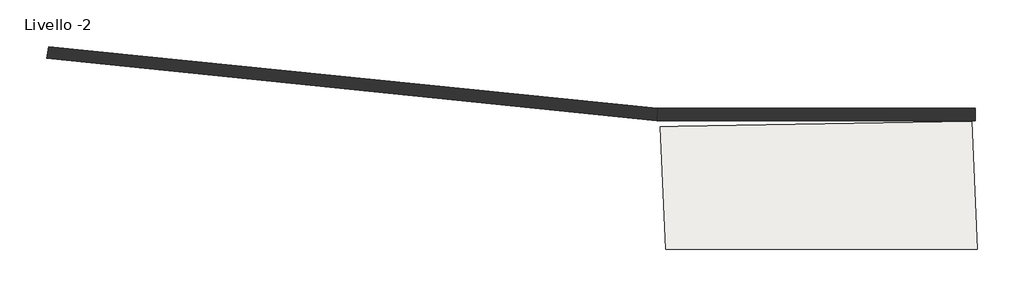
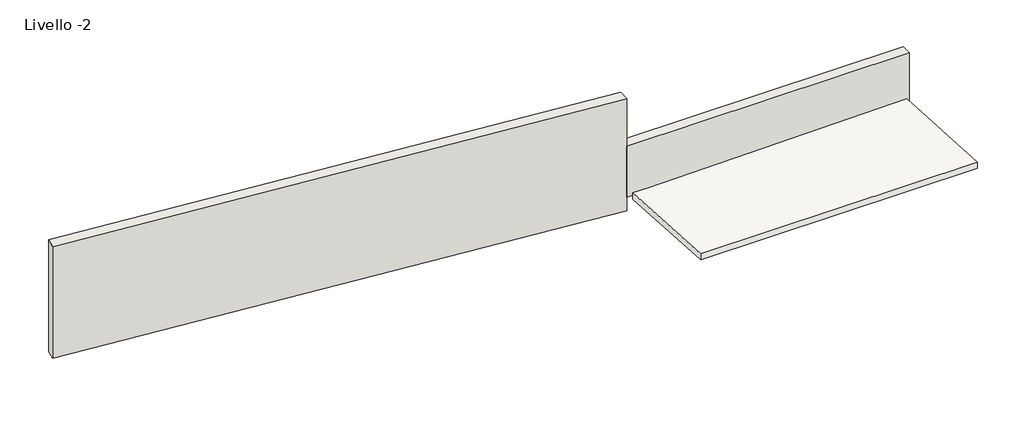
# One storey, part 1 of 3: 2 walls, 1 slab.
"""IFC4 building model written with IfcOpenShell, lengths in millimetres."""

import ifcopenshell
import ifcopenshell.guid

model = None  # the IFC model being written
_history = None  # IfcOwnerHistory: only IFC2X3 demands one
_inside = {}  # id of a spatial element -> (the spatial element, [elements in it])
_under = {}  # id of a project, library or spatial element -> (it, [spatial elements below it])
_declared = {}  # id of a project -> (the project, [libraries it declares])
_typed = {}  # id of a type object -> (the type object, [elements of that type])
_made_of = {}  # id of a material, layer set ... -> (it, [elements and type objects made of it])


def new_model(schema):
    """Start an empty IFC model of exactly this schema.

    Asked for "IFC4X3", IfcOpenShell would pick the latest addendum, in which some entities
    have other attributes; the version numbers below select the first issue.
    IFC2X3 requires an IfcOwnerHistory on every rooted entity: one is made here for all.
    """
    global model, _history
    if schema == "IFC4X3":
        model = ifcopenshell.file(schema_version=(4, 3, 0, 0))
    else:
        model = ifcopenshell.file(schema=schema)
    _inside.clear()
    _under.clear()
    _declared.clear()
    _typed.clear()
    _made_of.clear()
    _history = None
    if model.schema == "IFC2X3":
        org = make("IfcOrganization", Name="unknown")
        user = make(
            "IfcPersonAndOrganization",
            ThePerson=make("IfcPerson", FamilyName="unknown"),
            TheOrganization=org,
        )
        app = make(
            "IfcApplication",
            ApplicationDeveloper=org,
            Version="unknown",
            ApplicationFullName="unknown",
            ApplicationIdentifier="unknown",
        )
        _history = make(
            "IfcOwnerHistory",
            OwningUser=user,
            OwningApplication=app,
            ChangeAction="ADDED",
            CreationDate=0,
        )
    return model


def make(cls, **values):
    """One entity of the class cls with the attributes given. An attribute that is None is left unset."""
    return model.create_entity(
        cls, **{name: value for name, value in values.items() if value is not None}
    )


def rooted(cls, **values):
    """An entity with a GlobalId (a new one), such as an element, a storey or a relation."""
    return make(cls, GlobalId=ifcopenshell.guid.new(), OwnerHistory=_history, **values)


def si_unit(unit_type, name, prefix=None):
    """IfcSIUnit, for example si_unit("LENGTHUNIT", "METRE", prefix="MILLI")."""
    return make("IfcSIUnit", UnitType=unit_type, Prefix=prefix, Name=name)


def assignment(units):
    """IfcUnitAssignment: the units of a project."""
    return None if units is None else make("IfcUnitAssignment", Units=units)


def point(xyz):
    """IfcCartesianPoint."""
    return None if xyz is None else make("IfcCartesianPoint", Coordinates=xyz)


def direction(xyz):
    """IfcDirection."""
    return None if xyz is None else make("IfcDirection", DirectionRatios=xyz)


def frame(location, z_axis=None, x_axis=None):
    """IfcAxis2Placement3D, a coordinate frame: its origin and axes. An axis left out is left unset."""
    return make(
        "IfcAxis2Placement3D",
        Location=point(location),
        Axis=direction(z_axis),
        RefDirection=direction(x_axis),
    )


def frame_2d(location, x_axis=None):
    """IfcAxis2Placement2D, a coordinate frame in the plane: its origin and x axis."""
    return make(
        "IfcAxis2Placement2D", Location=point(location), RefDirection=direction(x_axis)
    )


def origin():
    """The frame at (0, 0, 0) with its axes left unset."""
    return frame((0.0, 0.0, 0.0))


def place(relative_to, where):
    """IfcLocalPlacement: puts the frame where relative to a parent placement (None: the world)."""
    return make(
        "IfcLocalPlacement", PlacementRelTo=relative_to, RelativePlacement=where
    )


def context(
    kind, dimensions, precision=None, world=None, true_north=None, identifier=None
):
    """IfcGeometricRepresentationContext, for example the 3D "Model" context."""
    return make(
        "IfcGeometricRepresentationContext",
        ContextIdentifier=identifier,
        ContextType=kind,
        CoordinateSpaceDimension=dimensions,
        Precision=precision,
        WorldCoordinateSystem=world,
        TrueNorth=true_north,
    )


def project(units=None, contexts=None):
    """IfcProject with its units and contexts."""
    return rooted(
        "IfcProject",
        Name="project",
        RepresentationContexts=contexts,
        UnitsInContext=assignment(units),
    )


def spatial(cls, under=None, at=None, **own):
    """A site, building, storey or space (cls), placed at a placement, below another one or the project."""
    s = rooted(cls, ObjectPlacement=at, **own)
    if under is not None:
        _under.setdefault(under.id(), (under, []))[1].append(s)
    return s


def polyline(points):
    """IfcPolyline through the points."""
    return make("IfcPolyline", Points=[point(p) for p in points])


def circle_curve(where, radius):
    """IfcCircle in the frame where."""
    return make("IfcCircle", Position=where, Radius=radius)


def trimmed(basis, trim1, trim2, sense, master):
    """IfcTrimmedCurve: the piece of a basis curve between two trims."""
    return make(
        "IfcTrimmedCurve",
        BasisCurve=basis,
        Trim1=trim1,
        Trim2=trim2,
        SenseAgreement=sense,
        MasterRepresentation=master,
    )


def segment(curve, same_sense, transition):
    """IfcCompositeCurveSegment."""
    return make(
        "IfcCompositeCurveSegment",
        Transition=transition,
        SameSense=same_sense,
        ParentCurve=curve,
    )


def composite_curve(segments, self_intersect=None):
    """IfcCompositeCurve: segments joined end to end."""
    return make("IfcCompositeCurve", Segments=segments, SelfIntersect=self_intersect)


def outline(outer, holes=None, kind="AREA"):
    """IfcArbitraryClosedProfileDef: a profile drawn as a closed curve; with holes, ...WithVoids."""
    if holes is None:
        return make("IfcArbitraryClosedProfileDef", ProfileType=kind, OuterCurve=outer)
    return make(
        "IfcArbitraryProfileDefWithVoids",
        ProfileType=kind,
        OuterCurve=outer,
        InnerCurves=holes,
    )


def extrude(swept, where, along, depth):
    """IfcExtrudedAreaSolid: the profile swept, set in the frame where, extruded along a direction by depth."""
    return make(
        "IfcExtrudedAreaSolid",
        SweptArea=swept,
        Position=where,
        ExtrudedDirection=direction(along),
        Depth=depth,
    )


def shape(context_of_items, identifier, shape_type, items):
    """IfcShapeRepresentation: the items that make up one representation, for example the "Body"."""
    return make(
        "IfcShapeRepresentation",
        ContextOfItems=context_of_items,
        RepresentationIdentifier=identifier,
        RepresentationType=shape_type,
        Items=items,
    )


def made_of(thing, what):
    """Note that an element or type object is made of a material, layer set ...; save() writes the relation."""
    if what is not None:
        _made_of.setdefault(what.id(), (what, []))[1].append(thing)
    return thing


def element(
    cls,
    number,
    at=None,
    inside=None,
    cuts=None,
    type_object=None,
    material=None,
    context=None,
    identifier="Body",
    shape_type=None,
    held_by="IfcProductDefinitionShape",
    body=None,
    shapes=None,
    **own,
):
    """One element of the class cls, such as IfcWall. Its Tag is "e" and its number.

    at: its placement. inside: the storey or other place that contains it. cuts: it is an
    opening in that element (IfcRelVoidsElement). A single representation is given by context,
    identifier, shape_type and body (its items); several are given by shapes. held_by: the class
    of the entity that holds the representations. save() writes the other relations.
    """
    e = rooted(cls, Tag="e%d" % number, ObjectPlacement=at, **own)
    if body is not None:
        shapes = [shape(context, identifier, shape_type, body)]
    if shapes is not None:
        e.Representation = make(held_by, Representations=shapes)
    if inside is not None:
        _inside.setdefault(inside.id(), (inside, []))[1].append(e)
    if cuts is not None:
        rooted(
            "IfcRelVoidsElement", RelatingBuildingElement=cuts, RelatedOpeningElement=e
        )
    if type_object is not None:
        _typed.setdefault(type_object.id(), (type_object, []))[1].append(e)
    return made_of(e, material)


def aggregate(whole, parts):
    """IfcRelAggregates: a whole, such as a stair, and the parts it consists of."""
    return rooted("IfcRelAggregates", RelatingObject=whole, RelatedObjects=parts)


def save(model, path):
    """Write the relations noted so far, then the file.

    IfcRelAggregates (storeys below a building ...), IfcRelContainedInSpatialStructure (elements
    in a storey), IfcRelDefinesByType, IfcRelAssociatesMaterial and IfcRelDeclares: one each for
    every whole, place, type object, material and project.
    """
    for whole, parts in _under.values():
        aggregate(whole, parts)
    for where, things in _inside.values():
        rooted(
            "IfcRelContainedInSpatialStructure",
            RelatedElements=things,
            RelatingStructure=where,
        )
    for kind, things in _typed.values():
        rooted("IfcRelDefinesByType", RelatedObjects=things, RelatingType=kind)
    for what, things in _made_of.values():
        rooted("IfcRelAssociatesMaterial", RelatedObjects=things, RelatingMaterial=what)
    for by, libraries in _declared.values():
        rooted("IfcRelDeclares", RelatingContext=by, RelatedDefinitions=libraries)
    model.write(path)


def plane_surface(at):
    """IfcPlane: the flat surface through the origin of the frame at, square to its z axis."""
    return make("IfcPlane", Position=at)


def cylinder_surface(at, radius):
    """IfcCylindricalSurface: all points at the distance radius from the z axis of the frame at."""
    return make("IfcCylindricalSurface", Position=at, Radius=radius)


def revolved_surface(curve, axis_point, axis_direction):
    """IfcSurfaceOfRevolution: the curve turned about the line through axis_point along axis_direction."""
    return make(
        "IfcSurfaceOfRevolution",
        SweptCurve=make("IfcArbitraryOpenProfileDef", ProfileType="CURVE", Curve=curve),
        AxisPosition=make("IfcAxis1Placement", Location=point(axis_point), Axis=direction(axis_direction)),
    )


def advanced_brep(points, edges, surfaces, faces):
    """IfcAdvancedBrep: a solid bounded by faces that lie on surfaces and meet in shared edges.

    An edge is (start, end): straight between two places in points (the first is 0);
    or (start, end, curve); or (start, end, curve, False) where it runs against its curve.
    A face is (place in surfaces, loops), or (place, loops, False) where it looks against
    its surface's normal. A loop lists edges by number (the first is 1), with a minus sign
    where the edge is run from its end to its start. The first loop is the outer one.
    """
    corners = [point(p) for p in points]
    vertices = [make("IfcVertexPoint", VertexGeometry=c) for c in corners]
    made = []
    for start, end, *more in edges:
        made.append(
            make(
                "IfcEdgeCurve",
                EdgeStart=vertices[start],
                EdgeEnd=vertices[end],
                EdgeGeometry=more[0] if more else make("IfcPolyline", Points=[corners[start], corners[end]]),
                SameSense=more[1] if len(more) > 1 else True,
            )
        )
    hull = []
    for where, loops, *sense in faces:
        bounds = []
        for j, loop in enumerate(loops):
            ring = [make("IfcOrientedEdge", EdgeElement=made[abs(k) - 1], Orientation=k > 0) for k in loop]
            bounds.append(
                make(
                    "IfcFaceOuterBound" if j == 0 else "IfcFaceBound",
                    Bound=make("IfcEdgeLoop", EdgeList=ring),
                    Orientation=True,
                )
            )
        hull.append(make("IfcAdvancedFace", Bounds=bounds, FaceSurface=surfaces[where], SameSense=sense[0] if sense else True))
    return make("IfcAdvancedBrep", Outer=make("IfcClosedShell", CfsFaces=hull))


model = new_model("IFC4")

# Units and contexts
model_context = context("Model", 3, world=origin())
ifc_project = project(units=[si_unit("LENGTHUNIT", "METRE", prefix="MILLI")], contexts=[model_context])

# Site, building, storey
site = spatial("IfcSite", under=ifc_project)
building = spatial("IfcBuilding", under=site)
storey = spatial("IfcBuildingStorey", under=building, Name="Livello -2", Elevation=-3950.0)

# Slab
placement = place(None, origin())
element("IfcSlab", 1, at=placement, inside=storey, context=model_context, shape_type="SweptSolid", body=[
    extrude(outline(composite_curve([segment(polyline([(5875.8440382, -1913.4406888), (-1862.3004681, -1913.4406888), (-1997.1692703, 1133.4026094)]), True, "CONTINUOUS"), segment(trimmed(circle_curve(frame_2d((-6766.2619372, 275636.2562773)), 274544.2786085), [point((-1997.1692703, 1133.4026094))], [point((-1555.3188654, 1141.4348526))], True, "CARTESIAN"), True, "CONTINUOUS"), segment(polyline([(-1555.3188654, 1141.4348526), (5731.1959017, 1259.3869941), (5875.8440382, -1913.4406888)]), True, "CONTINUOUS")], self_intersect=False)), frame((0.0, 0.0, -3950.0), z_axis=(0.0, 0.0, 1.0), x_axis=(1.0, 0.0, 0.0)), (0.0, 0.0, 1.0), 180.0),
])

# Walls
element("IfcWall", 2, at=placement, inside=storey, context=model_context, shape_type="AdvancedBrep", body=[
    advanced_brep(
    [(-17245.7217887, 2826.0170442, -1040.4448821), (-2084.5397534, 1283.4806511, -1040.4448821), (-2082.3595272, 1583.4806511, -1040.4448821), (-17189.5753334, 3120.7161714, -1040.4448821), (-17245.7217887, 2826.0170442, -4350.0), (-17189.5753334, 3120.7161714, -4350.0), (-2076.7954218, 1583.3998811, -4350.0), (-2090.1047812, 1283.5616494, -4350.0), (-2090.1047812, 1283.5616494, -3950.0), (-2084.5397534, 1283.4806511, -3950.0), (-2082.3595272, 1583.4806511, -3950.0), (-2076.7954218, 1583.3998811, -3950.0), (-2083.449549, 1433.4932125, -3950.0)],
    [
        (0, 1, circle_curve(frame((-809.2033278, 89097.3163103, -1040.4448821), z_axis=(0.0, 0.0, 1.0), x_axis=(1.0, 0.0, 0.0)), 87823.0961432)),
        (1, 2),
        (2, 3, circle_curve(frame((-809.2033278, 89097.3163103, -1040.4448821), z_axis=(0.0, 0.0, -1.0), x_axis=(1.0, 0.0, 0.0)), 87523.0961432)),
        (3, 0),
        (4, 5),
        (5, 6, circle_curve(frame((-809.2033278, 89097.3163103, -4350.0), z_axis=(0.0, 0.0, 1.0), x_axis=(1.0, 0.0, 0.0)), 87523.0961432)),
        (6, 7),
        (7, 4, circle_curve(frame((-809.2033278, 89097.3163103, -4350.0), z_axis=(0.0, 0.0, -1.0), x_axis=(1.0, 0.0, 0.0)), 87823.0961432)),
        (0, 4),
        (7, 8),
        (8, 9, circle_curve(frame((-809.2033278, 89097.3163103, -3950.0), z_axis=(0.0, 0.0, 1.0), x_axis=(1.0, 0.0, 0.0)), 87823.0961432)),
        (9, 1),
        (2, 10),
        (10, 11, circle_curve(frame((-809.2033278, 89097.3163103, -3950.0), z_axis=(0.0, 0.0, 1.0), x_axis=(1.0, 0.0, 0.0)), 87523.0961432)),
        (11, 6),
        (5, 3),
        (9, 12),
        (12, 10),
        (12, 11),
        (12, 8),
    ],
    [
        plane_surface(frame((87013.8928154, 89097.3163103, -1040.4448821), z_axis=(0.0, 0.0, 1.0), x_axis=(0.0, 1.0, 0.0))),
        plane_surface(frame((87013.8928154, 89097.3163103, -4350.0), z_axis=(0.0, 0.0, -1.0), x_axis=(0.0, -1.0, 0.0))),
        cylinder_surface(frame((-809.2033278, 89097.3163103, -4350.0), z_axis=(0.0, 0.0, 1.0), x_axis=(1.0, 0.0, 0.0)), 87823.0961432),
        revolved_surface(polyline([(86713.8928154, 89097.3163103, -4350.0), (86713.8928154, 89097.3163103, -1040.4448821)]), (-809.2033278, 89097.3163103, -4350.0), (0.0, 0.0, -1.0)),
        plane_surface(frame((-17189.5753334, 3120.7161714, -1040.4448821), z_axis=(-0.98233042394015, 0.18715485086303577, 0.0), x_axis=(0.0, 0.0, -1.0))),
        plane_surface(frame((-2084.5397534, 1283.4806511, -3950.0), z_axis=(0.9999735933442965, -0.0072672287768931945, 0.0), x_axis=(0.0072672287768931945, 0.9999735933442965, 0.0))),
        plane_surface(frame((-1985.4226068, 1282.0971032, -3950.0), z_axis=(0.0, 0.0, 1.0), x_axis=(1.0, 0.0, 0.0))),
        plane_surface(frame((-2081.1571608, 1485.1369933, -8200.0), z_axis=(0.99901628545863, -0.04434480114332784, 0.0), x_axis=(-0.04434480114332784, -0.99901628545863, 0.0))),
        plane_surface(frame((-1985.4226068, 1282.0971032, -3950.0), z_axis=(0.0, 0.0, -1.0), x_axis=(1.0, 0.0, 0.0))),
    ],
    [
        (0, [[1, 2, 3, 4]]),
        (1, [[5, 6, 7, 8]]),
        (2, [[-1, 9, -8, 10, 11, 12]]),
        (3, [[-3, 13, 14, 15, -6, 16]]),
        (4, [[-4, -16, -5, -9]]),
        (5, [[-2, -12, 17, 18, -13]]),
        (6, [[-18, 19, -14]]),
        (7, [[-10, -7, -15, -19, 20]]),
        (8, [[-17, -11, -20]]),
    ],
),
])
element("IfcWall", 3, at=placement, inside=storey, context=model_context, shape_type="SweptSolid", body=[
    extrude(outline(polyline([(5816.5498934, 1283.4806511), (-2084.5397534, 1283.4806511), (-2082.3595272, 1583.4806511), (5816.5498934, 1583.4806511), (5816.5498934, 1283.4806511)])), frame((0.0, 0.0, -3950.0), z_axis=(0.0, 0.0, 1.0), x_axis=(1.0, 0.0, 0.0)), (0.0, 0.0, 1.0), 1500.0),
])

save(model, "model.ifc")
